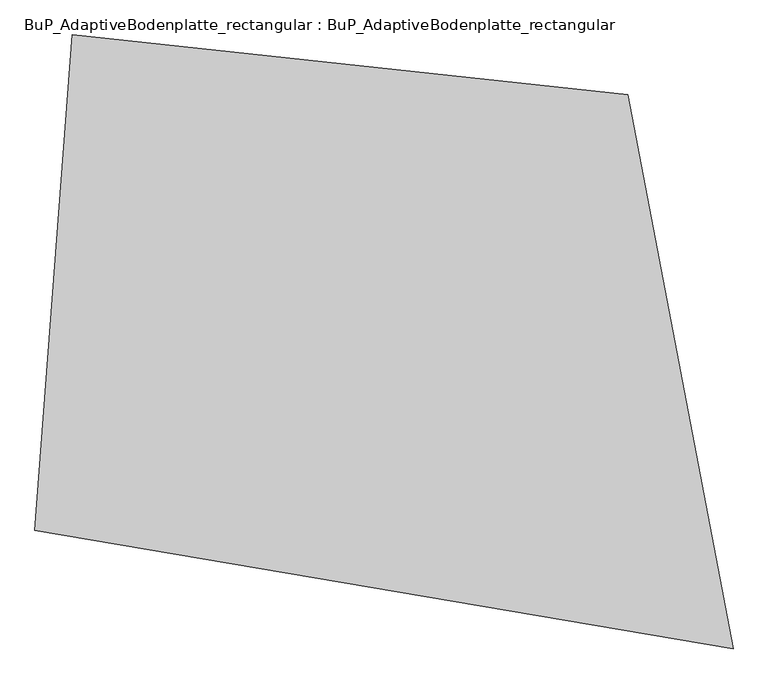
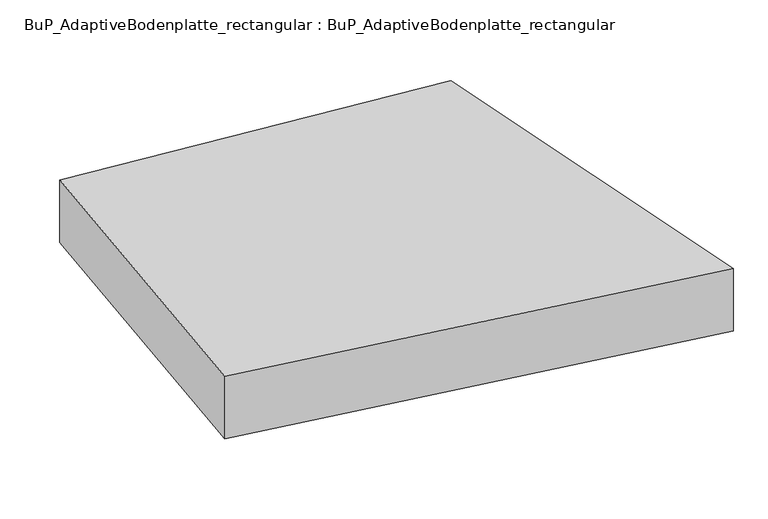
"""IFC4 building model written with IfcOpenShell, lengths in millimetres: proxy geometry, BuP_AdaptiveBodenplatte_rectangular : BuP_AdaptiveBodenplatte_rectangular."""

from ifc_helpers import new_model, si_unit, frame, origin, place, context, project, spatial, polyline, outline, extrude, source, transform, mapped, element, save


def bup_adaptivebodenplatte_rectangular_bup_adaptivebodenplatte_227f5168(model_context):
    return source(origin(), model_context, "Body", "SweptSolid", [
        extrude(outline(polyline([(3812.0280617, 1543.3861645), (3998.7677121, 4028.7585953), (6781.850518, 3728.4381648), (7310.4290518, 949.4170754), (3812.0280617, 1543.3861645)])), frame((0.0, 0.0, -570.0), z_axis=(0.0, 0.0, 1.0), x_axis=(1.0, 0.0, 0.0)), (0.0, 0.0, 1.0), 500.0),
    ])


if __name__ == "__main__":
    model = new_model("IFC4")
    model_context = context("Model", 3, world=origin())
    ifc_project = project(units=[si_unit("LENGTHUNIT", "METRE", prefix="MILLI")], contexts=[model_context])
    site = spatial("IfcSite", under=ifc_project)
    building = spatial("IfcBuilding", under=site)
    placement = place(None, origin())
    bup_adaptivebodenplatte_rectangular_bup_adaptivebodenplatte_shape = bup_adaptivebodenplatte_rectangular_bup_adaptivebodenplatte_227f5168(model_context)
    element("IfcBuildingElementProxy", 1, Name="BuP_AdaptiveBodenplatte_rectangular : BuP_AdaptiveBodenplatte_rectangular", ObjectType="BuP_AdaptiveBodenplatte_rectangular : BuP_AdaptiveBodenplatte_rectangular", at=placement, inside=building, context=model_context, shape_type="MappedRepresentation", body=[
        mapped(bup_adaptivebodenplatte_rectangular_bup_adaptivebodenplatte_shape, transform((0.0, 0.0, 0.0), x_axis=(1.0, 0.0, 0.0), y_axis=(0.0, 1.0, 0.0), z_axis=(0.0, 0.0, 1.0))),
    ])
    save(model, "model.ifc")
